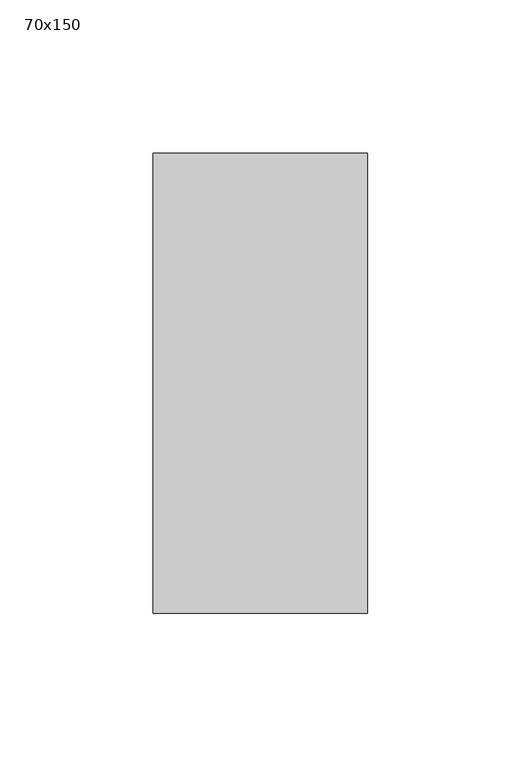
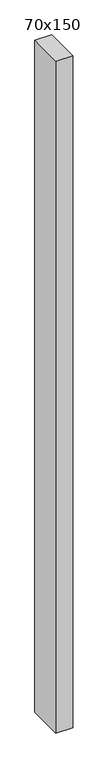
"""IFC4 building model written with IfcOpenShell, lengths in millimetres: member geometry, 70x150."""

from ifc_helpers import new_model, si_unit, frame, origin, place, context, project, spatial, polyline, outline, extrude, source, transform, mapped, element, save


def member_70x150_18b2455f(model_context):
    return source(origin(), model_context, "Body", "SweptSolid", [
        extrude(outline(polyline([(35.0, 75.0), (35.0, -75.0), (-35.0, -75.0), (-35.0, 75.0), (35.0, 75.0)])), frame((0.0, 0.0, -2950.0), z_axis=(0.0, 0.0, 1.0), x_axis=(1.0, 0.0, 0.0)), (0.0, 0.0, 1.0), 2950.0),
    ])


if __name__ == "__main__":
    model = new_model("IFC4")
    model_context = context("Model", 3, world=origin())
    ifc_project = project(units=[si_unit("LENGTHUNIT", "METRE", prefix="MILLI")], contexts=[model_context])
    site = spatial("IfcSite", under=ifc_project)
    building = spatial("IfcBuilding", under=site)
    placement = place(None, origin())
    member_70x150_shape = member_70x150_18b2455f(model_context)
    element("IfcMember", 1, ObjectType="70x150", at=placement, inside=building, context=model_context, shape_type="MappedRepresentation", body=[
        mapped(member_70x150_shape, transform((0.0, 0.0, 0.0), x_axis=(1.0, 0.0, 0.0), y_axis=(0.0, 1.0, 0.0), z_axis=(0.0, 0.0, 1.0))),
    ])
    save(model, "model.ifc")
